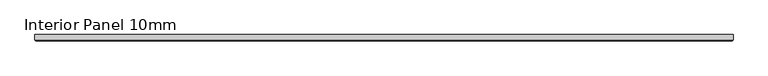
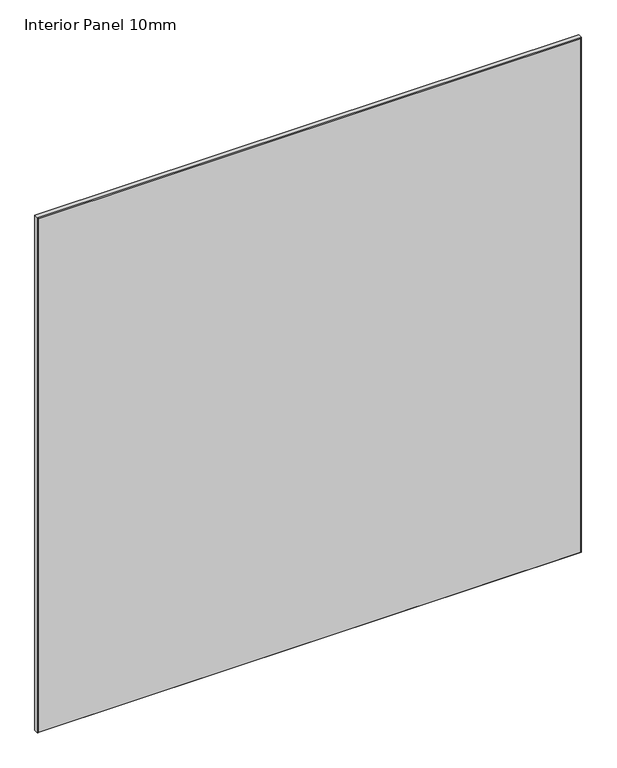
"""IFC4 building model written with IfcOpenShell, lengths in millimetres: proxy geometry, Interior Panel 10mm."""

from ifc_helpers import new_model, si_unit, origin, place, context, project, spatial, faceted_brep, source, transform, mapped, element, save


def interior_panel_10mm_06214872(model_context):
    return source(origin(), model_context, "Body", "Brep", [
        faceted_brep([(1066.8, 9.525, 1066.8), (0.0, 9.525, 1066.8), (0.0, 1.5875, 1066.8), (1066.8, 1.5875, 1066.8), (1066.8, 9.525, 0.0), (1066.8, 1.5875, 0.0), (0.0, 1.5875, 0.0), (0.0, 9.525, 0.0), (1.5875, 0.0, 1065.2125), (1.5875, 0.0, 1.5875), (1065.2125, 0.0, 1.5875), (1065.2125, 0.0, 1065.2125)], [[[0, 1, 2, 3]], [[4, 5, 6, 7]], [[1, 0, 4, 7]], [[2, 1, 7, 6]], [[8, 9, 10, 11]], [[0, 3, 5, 4]], [[2, 6, 9, 8]], [[5, 3, 11, 10]], [[3, 2, 8, 11]], [[6, 5, 10, 9]]]),
    ])


if __name__ == "__main__":
    model = new_model("IFC4")
    model_context = context("Model", 3, world=origin())
    ifc_project = project(units=[si_unit("LENGTHUNIT", "METRE", prefix="MILLI")], contexts=[model_context])
    site = spatial("IfcSite", under=ifc_project)
    building = spatial("IfcBuilding", under=site)
    placement = place(None, origin())
    interior_panel_10mm_shape = interior_panel_10mm_06214872(model_context)
    element("IfcBuildingElementProxy", 1, Name="Interior Panel 10mm", ObjectType="Interior Panel 10mm", at=placement, inside=building, context=model_context, shape_type="MappedRepresentation", body=[
        mapped(interior_panel_10mm_shape, transform((0.0, 0.0, 0.0), x_axis=(1.0, 0.0, 0.0), y_axis=(0.0, 1.0, 0.0), z_axis=(0.0, 0.0, 1.0))),
    ])
    save(model, "model.ifc")
